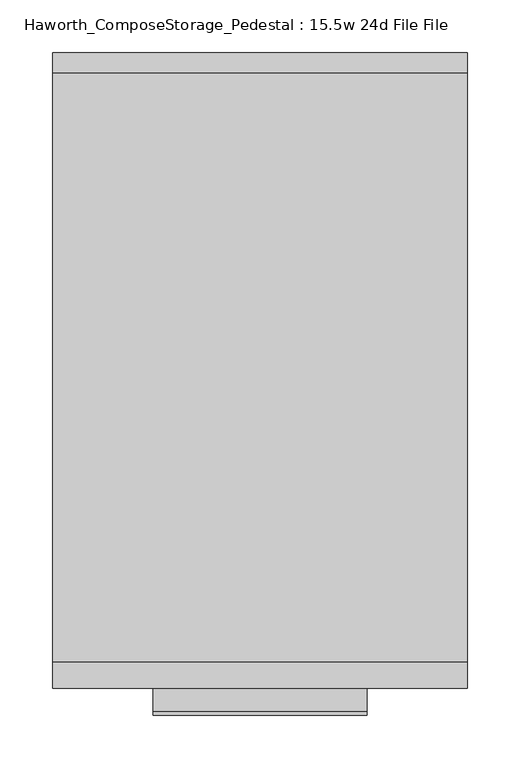
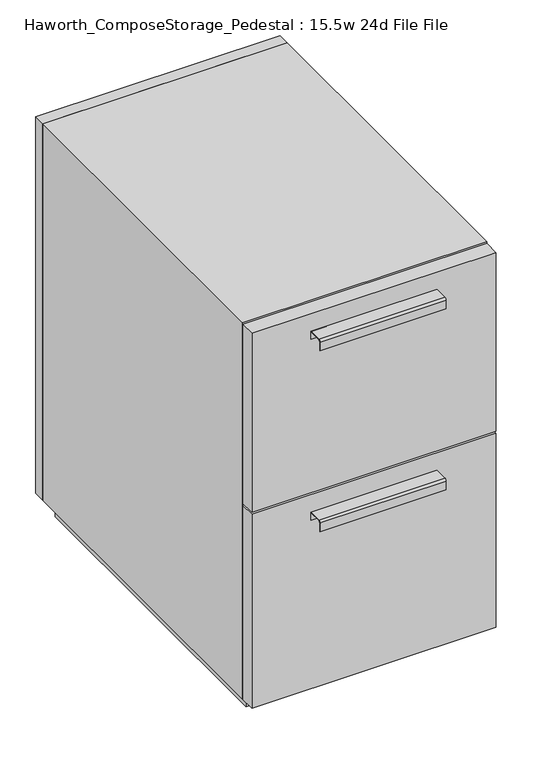
"""IFC4 building model written with IfcOpenShell, lengths in millimetres: furniture geometry, Haworth_ComposeStorage_Pedestal : 15.5w 24d File File."""

from ifc_helpers import new_model, si_unit, point, frame, frame_2d, origin, origin_with_axes, place, context, project, spatial, polyline, circle_curve, trimmed, segment, composite_curve, outline, extrude, source, transform, mapped, element, save


def haworth_composestorage_pedestal_15_5w_24d_file_file_4060c18d(model_context):
    return source(origin(), model_context, "Body", "SweptSolid", [
        extrude(outline(composite_curve([segment(polyline([(-276.2250242, 633.9919215), (-254.0, 633.9919215), (-254.0, 620.5299525), (-254.7937742, 620.5299525), (-254.7937742, 633.1982199), (-276.2250242, 633.1982199)]), True, "CONTINUOUS"), segment(trimmed(circle_curve(frame_2d((-276.2250242, 630.8142808)), 2.3839392), [point((-276.2250242, 633.1982199))], [point((-278.6089634, 630.8142808))], True, "CARTESIAN"), True, "CONTINUOUS"), segment(polyline([(-278.6089634, 630.8142808), (-278.6089634, 616.2119021), (-279.3999758, 616.2119021), (-279.3999758, 630.8169699)]), True, "CONTINUOUS"), segment(trimmed(circle_curve(frame_2d((-276.2250242, 630.8169699)), 3.1749516), [point((-279.3999758, 630.8169699))], [point((-276.2250242, 633.9919215))], False, "CARTESIAN"), True, "CONTINUOUS")], self_intersect=False)), frame((-101.5861094, 0.0, 0.0), z_axis=(1.0, 0.0, 0.0), x_axis=(0.0, 1.0, 0.0)), (0.0, 0.0, 1.0), 203.2),
        extrude(outline(polyline([(196.8638906, -228.6), (196.8638906, -254.0), (-196.8361094, -254.0), (-196.8361094, -228.6), (196.8638906, -228.6)])), frame((0.0, 0.0, 358.775), z_axis=(0.0, 0.0, 1.0), x_axis=(1.0, 0.0, 0.0)), (0.0, 0.0, 1.0), 304.8),
        extrude(outline(composite_curve([segment(polyline([(-276.2250242, 326.0169215), (-254.0, 326.0169215), (-254.0, 312.5549525), (-254.7937742, 312.5549525), (-254.7937742, 325.2232199), (-276.2250242, 325.2232199)]), True, "CONTINUOUS"), segment(trimmed(circle_curve(frame_2d((-276.2250242, 322.8392808)), 2.3839392), [point((-276.2250242, 325.2232199))], [point((-278.6089634, 322.8392808))], True, "CARTESIAN"), True, "CONTINUOUS"), segment(polyline([(-278.6089634, 322.8392808), (-278.6089634, 308.2369021), (-279.3999758, 308.2369021), (-279.3999758, 322.8419699)]), True, "CONTINUOUS"), segment(trimmed(circle_curve(frame_2d((-276.2250242, 322.8419699)), 3.1749516), [point((-279.3999758, 322.8419699))], [point((-276.2250242, 326.0169215))], False, "CARTESIAN"), True, "CONTINUOUS")], self_intersect=False)), frame((-101.5861094, 0.0, 0.0), z_axis=(1.0, 0.0, 0.0), x_axis=(0.0, 1.0, 0.0)), (0.0, 0.0, 1.0), 203.2),
        extrude(outline(polyline([(196.8638906, -228.6), (196.8638906, -254.0), (-196.8361094, -254.0), (-196.8361094, -228.6), (196.8638906, -228.6)])), frame((0.0, 0.0, 25.4), z_axis=(0.0, 0.0, 1.0), x_axis=(1.0, 0.0, 0.0)), (0.0, 0.0, 1.0), 330.2),
        extrude(outline(polyline([(196.8638906, 330.2), (-196.8361094, 330.2), (-196.8361094, 349.25), (196.8638906, 349.25), (196.8638906, 330.2)])), frame((0.0, 0.0, 25.4), z_axis=(0.0, 0.0, 1.0), x_axis=(1.0, 0.0, 0.0)), (0.0, 0.0, 1.0), 641.35),
        extrude(outline(polyline([(25.4, -196.8361094), (25.4, 196.8638906), (666.75, 196.8638906), (666.75, -196.8361094), (25.4, -196.8361094)]), holes=[polyline([(44.45, -177.7861094), (647.7, -177.7861094), (647.7, 177.8069453), (44.45, 177.8069453), (44.45, -177.7861094)])]), frame((0.0, -228.6, 0.0), z_axis=(0.0, 1.0, 0.0), x_axis=(0.0, 0.0, 1.0)), (0.0, 0.0, 1.0), 558.8),
        extrude(outline(polyline([(-177.7791641, 295.275), (-177.7791641, 304.8), (177.8069453, 304.8), (177.8069453, 295.275), (-177.7791641, 295.275)])), frame((0.0, 0.0, 44.45), z_axis=(0.0, 0.0, 1.0), x_axis=(1.0, 0.0, 0.0)), (0.0, 0.0, 1.0), 603.25),
        extrude(outline(polyline([(184.1638906, -215.9), (-184.1361094, -215.9), (-184.1361094, 317.5), (184.1638906, 317.5), (184.1638906, -215.9)])), origin_with_axes(), (0.0, 0.0, 1.0), 25.4),
    ])


if __name__ == "__main__":
    model = new_model("IFC4")
    model_context = context("Model", 3, world=origin())
    ifc_project = project(units=[si_unit("LENGTHUNIT", "METRE", prefix="MILLI")], contexts=[model_context])
    site = spatial("IfcSite", under=ifc_project)
    building = spatial("IfcBuilding", under=site)
    placement = place(None, origin())
    haworth_composestorage_pedestal_15_5w_24d_file_file_shape = haworth_composestorage_pedestal_15_5w_24d_file_file_4060c18d(model_context)
    element("IfcFurniture", 1, ObjectType="Haworth_ComposeStorage_Pedestal : 15.5w 24d File File", at=placement, inside=building, context=model_context, shape_type="MappedRepresentation", body=[
        mapped(haworth_composestorage_pedestal_15_5w_24d_file_file_shape, transform((0.0, 0.0, 0.0), x_axis=(1.0, 0.0, 0.0), y_axis=(0.0, 1.0, 0.0), z_axis=(0.0, 0.0, 1.0))),
    ])
    save(model, "model.ifc")
